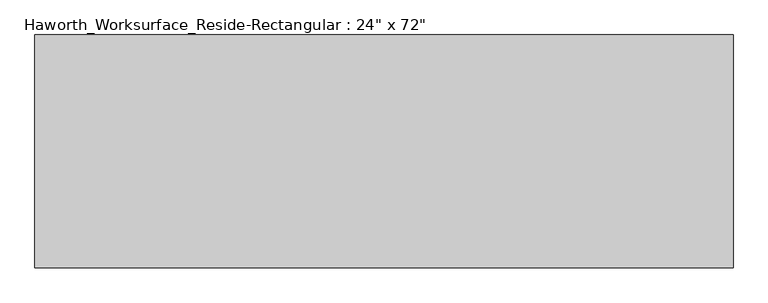
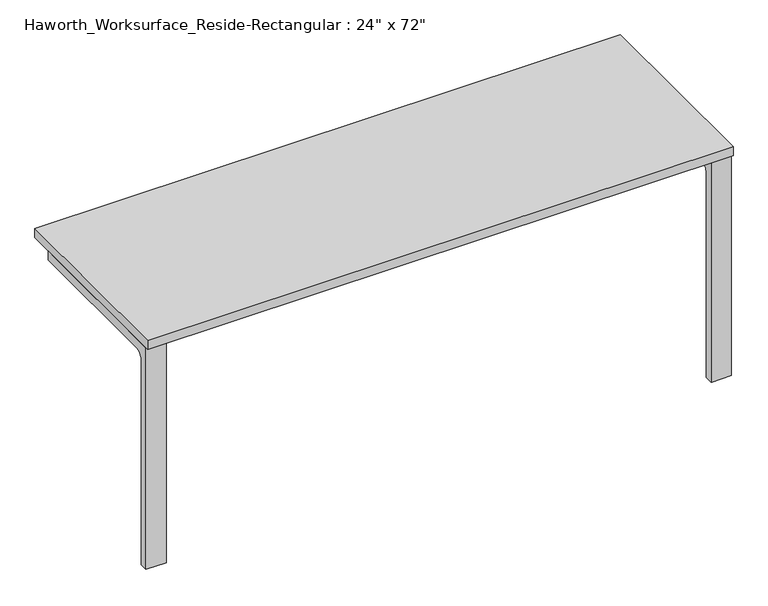
"""IFC4 building model written with IfcOpenShell, lengths in millimetres: furniture geometry."""

from ifc_helpers import new_model, si_unit, point, frame, frame_2d, origin, place, context, project, spatial, polyline, circle_curve, trimmed, segment, composite_curve, outline, extrude, source, transform, mapped, element, save


def furniture_c09602c2(model_context):
    return source(origin(), model_context, "Body", "SweptSolid", [
        extrude(outline(composite_curve([segment(polyline([(231.775, 731.8375), (231.775, 701.675), (-244.475, 701.675)]), True, "CONTINUOUS"), segment(trimmed(circle_curve(frame_2d((-244.475, 676.275)), 25.4), [point((-244.475, 701.675))], [point((-269.875, 676.275))], True, "CARTESIAN"), True, "CONTINUOUS"), segment(polyline([(-269.875, 676.275), (-269.875, 0.0), (-295.275, 0.0), (-295.275, 731.8375), (231.775, 731.8375)]), True, "CONTINUOUS")], self_intersect=False)), frame((850.9, 0.0, 0.0), z_axis=(1.0, 0.0, 0.0), x_axis=(0.0, 1.0, 0.0)), (0.0, 0.0, 1.0), 63.5),
        extrude(outline(composite_curve([segment(polyline([(231.775, 731.8375), (231.775, 701.675), (-244.475, 701.675)]), True, "CONTINUOUS"), segment(trimmed(circle_curve(frame_2d((-244.475, 676.275)), 25.4), [point((-244.475, 701.675))], [point((-269.875, 676.275))], True, "CARTESIAN"), True, "CONTINUOUS"), segment(polyline([(-269.875, 676.275), (-269.875, 0.0), (-295.275, 0.0), (-295.275, 731.8375), (231.775, 731.8375)]), True, "CONTINUOUS")], self_intersect=False)), frame((-914.4, 0.0, 0.0), z_axis=(1.0, 0.0, 0.0), x_axis=(0.0, 1.0, 0.0)), (0.0, 0.0, 1.0), 63.5),
        extrude(outline(polyline([(914.4, 304.8), (914.4, -304.8), (-914.4, -304.8), (-914.4, 304.8), (914.4, 304.8)])), frame((0.0, 0.0, 731.8375), z_axis=(0.0, 0.0, 1.0), x_axis=(1.0, 0.0, 0.0)), (0.0, 0.0, 1.0), 30.1625),
    ])


if __name__ == "__main__":
    model = new_model("IFC4")
    model_context = context("Model", 3, world=origin())
    ifc_project = project(units=[si_unit("LENGTHUNIT", "METRE", prefix="MILLI")], contexts=[model_context])
    site = spatial("IfcSite", under=ifc_project)
    building = spatial("IfcBuilding", under=site)
    placement = place(None, origin())
    furniture_shape = furniture_c09602c2(model_context)
    element("IfcFurniture", 1, ObjectType="Haworth_Worksurface_Reside-Rectangular : 24\" x 72\"", at=placement, inside=building, context=model_context, shape_type="MappedRepresentation", body=[
        mapped(furniture_shape, transform((0.0, 0.0, 0.0), x_axis=(1.0, 0.0, 0.0), y_axis=(0.0, 1.0, 0.0), z_axis=(0.0, 0.0, 1.0))),
    ])
    save(model, "model.ifc")
